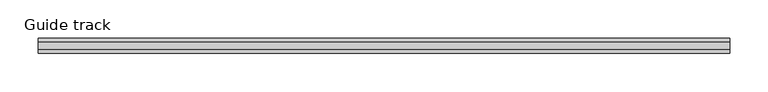
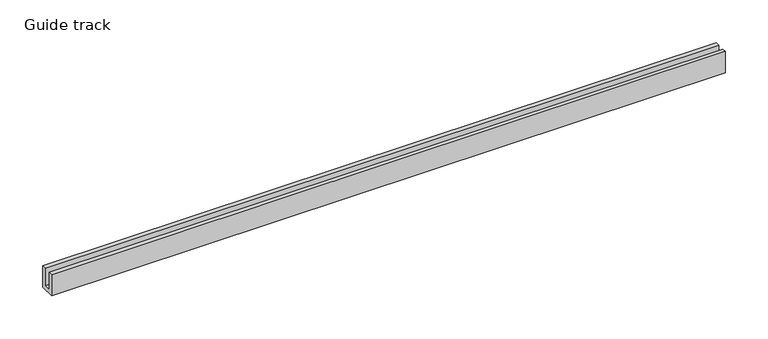
"""IFC4 building model written with IfcOpenShell, lengths in millimetres: proxy geometry, Guide track."""

from ifc_helpers import new_model, si_unit, frame, origin, place, context, project, spatial, polyline, outline, extrude, source, transform, mapped, element, save


def guide_track_fdbfb8eb(model_context):
    return source(origin(), model_context, "Body", "SweptSolid", [
        extrude(outline(polyline([(20.0, 30.0), (20.0, 0.0), (0.0, 0.0), (0.0, 30.0), (5.0, 30.0), (5.0, 5.0), (15.0, 5.0), (15.0, 30.0), (20.0, 30.0)])), frame((0.0, 0.0, 0.0), z_axis=(1.0, 0.0, 0.0), x_axis=(0.0, 1.0, 0.0)), (0.0, 0.0, 1.0), 906.0),
    ])


if __name__ == "__main__":
    model = new_model("IFC4")
    model_context = context("Model", 3, world=origin())
    ifc_project = project(units=[si_unit("LENGTHUNIT", "METRE", prefix="MILLI")], contexts=[model_context])
    site = spatial("IfcSite", under=ifc_project)
    building = spatial("IfcBuilding", under=site)
    placement = place(None, origin())
    guide_track_shape = guide_track_fdbfb8eb(model_context)
    element("IfcBuildingElementProxy", 1, Name="Guide track", ObjectType="Guide track", at=placement, inside=building, context=model_context, shape_type="MappedRepresentation", body=[
        mapped(guide_track_shape, transform((0.0, 0.0, 0.0), x_axis=(1.0, 0.0, 0.0), y_axis=(0.0, 1.0, 0.0), z_axis=(0.0, 0.0, 1.0))),
    ])
    save(model, "model.ifc")
